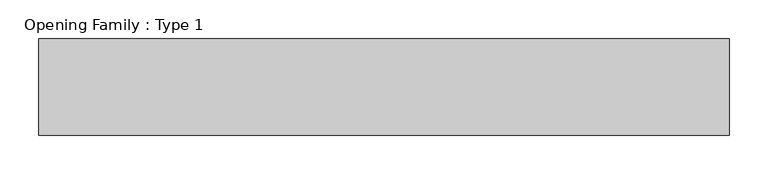
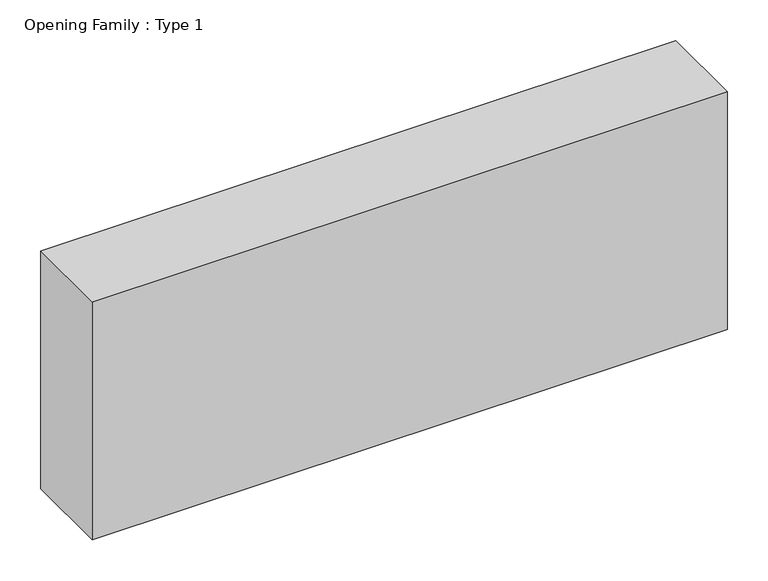
"""IFC4 building model written with IfcOpenShell, lengths in millimetres: proxy geometry, Opening Family : Type 1."""

from ifc_helpers import new_model, si_unit, frame, origin, place, context, project, spatial, polyline, outline, extrude, source, transform, mapped, element, save


def opening_family_type_1_c1432051(model_context):
    return source(origin(), model_context, "Body", "SweptSolid", [
        extrude(outline(polyline([(572.4053187, -325.0), (-322.4053187, -325.0), (-322.4053187, -200.0), (572.4053187, -200.0), (572.4053187, -325.0)])), frame((0.0, 0.0, 600.0), z_axis=(0.0, 0.0, 1.0), x_axis=(1.0, 0.0, 0.0)), (0.0, 0.0, 1.0), 354.8),
    ])


if __name__ == "__main__":
    model = new_model("IFC4")
    model_context = context("Model", 3, world=origin())
    ifc_project = project(units=[si_unit("LENGTHUNIT", "METRE", prefix="MILLI")], contexts=[model_context])
    site = spatial("IfcSite", under=ifc_project)
    building = spatial("IfcBuilding", under=site)
    placement = place(None, origin())
    opening_family_type_1_shape = opening_family_type_1_c1432051(model_context)
    element("IfcBuildingElementProxy", 1, Name="Opening Family : Type 1", ObjectType="Opening Family : Type 1", at=placement, inside=building, context=model_context, shape_type="MappedRepresentation", body=[
        mapped(opening_family_type_1_shape, transform((0.0, 0.0, 0.0), x_axis=(1.0, 0.0, 0.0), y_axis=(0.0, 1.0, 0.0), z_axis=(0.0, 0.0, 1.0))),
    ])
    save(model, "model.ifc")
